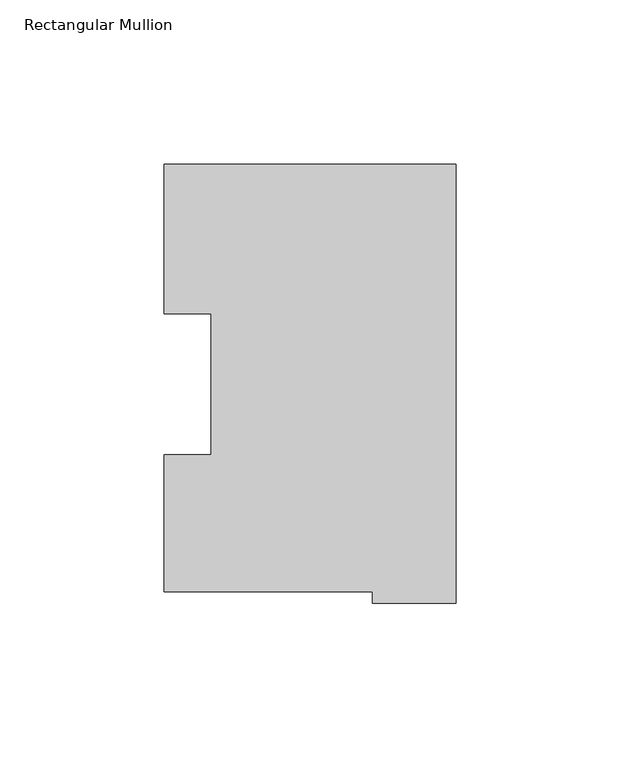
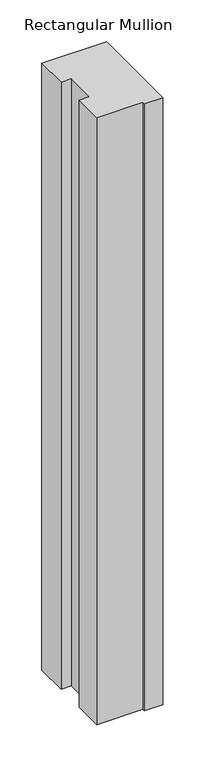
"""IFC4 building model written with IfcOpenShell, lengths in millimetres: member geometry, Rectangular Mullion."""

from ifc_helpers import new_model, si_unit, frame, origin, place, context, project, spatial, polyline, outline, extrude, source, transform, mapped, element, save


def rectangular_mullion_a8350702(model_context):
    return source(origin(), model_context, "Body", "SweptSolid", [
        extrude(outline(polyline([(0.0, 130.1884774), (0.0, -3.4917226), (-25.3999997, -3.4917226), (-25.3999997, -0.0373193), (-88.8999997, -0.0373193), (-88.8999997, 41.7876084), (-74.6124997, 41.75685), (-74.6124997, 84.6335937), (-88.8999997, 84.6335937), (-88.8999997, 130.1884774), (0.0, 130.1884774)])), frame((0.0, 0.0, -882.6497287), z_axis=(0.0, 0.0, 1.0), x_axis=(1.0, 0.0, 0.0)), (0.0, 0.0, 1.0), 882.6497287),
    ])


if __name__ == "__main__":
    model = new_model("IFC4")
    model_context = context("Model", 3, world=origin())
    ifc_project = project(units=[si_unit("LENGTHUNIT", "METRE", prefix="MILLI")], contexts=[model_context])
    site = spatial("IfcSite", under=ifc_project)
    building = spatial("IfcBuilding", under=site)
    placement = place(None, origin())
    rectangular_mullion_shape = rectangular_mullion_a8350702(model_context)
    element("IfcMember", 1, ObjectType="Rectangular Mullion", at=placement, inside=building, context=model_context, shape_type="MappedRepresentation", body=[
        mapped(rectangular_mullion_shape, transform((0.0, 0.0, 0.0), x_axis=(1.0, 0.0, 0.0), y_axis=(0.0, 1.0, 0.0), z_axis=(0.0, 0.0, 1.0))),
    ])
    save(model, "model.ifc")
